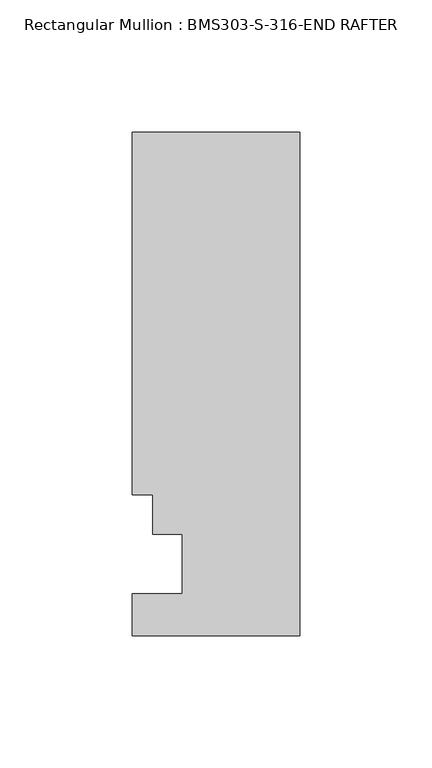
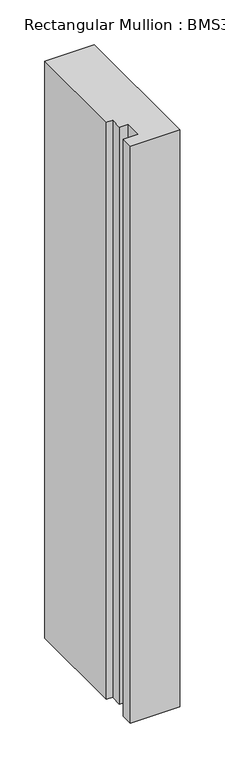
"""IFC4 building model written with IfcOpenShell, lengths in millimetres: member geometry, Rectangular Mullion : BMS303-S-316-END RAFTER."""

from ifc_helpers import new_model, si_unit, frame, origin, place, context, project, spatial, polyline, outline, extrude, source, transform, mapped, element, save


def rectangular_mullion_bms303_s_316_end_rafter_84ccf04d(model_context):
    return source(origin(), model_context, "Body", "SweptSolid", [
        extrude(outline(polyline([(-63.5, 214.6101562), (0.0, 214.6101562), (0.0, 23.8561562), (-63.5, 23.8561562), (-63.5, 39.7311562), (-44.45, 39.7311562), (-44.45, 62.2101563), (-55.5752, 62.2101563), (-55.5752, 77.2723562), (-63.5, 77.2723562), (-63.5, 214.6101562)])), frame((0.0, 0.0, -785.1272189), z_axis=(0.0, 0.0, 1.0), x_axis=(1.0, 0.0, 0.0)), (0.0, 0.0, 1.0), 785.1272189),
    ])


if __name__ == "__main__":
    model = new_model("IFC4")
    model_context = context("Model", 3, world=origin())
    ifc_project = project(units=[si_unit("LENGTHUNIT", "METRE", prefix="MILLI")], contexts=[model_context])
    site = spatial("IfcSite", under=ifc_project)
    building = spatial("IfcBuilding", under=site)
    placement = place(None, origin())
    rectangular_mullion_bms303_s_316_end_rafter_shape = rectangular_mullion_bms303_s_316_end_rafter_84ccf04d(model_context)
    element("IfcMember", 1, ObjectType="Rectangular Mullion : BMS303-S-316-END RAFTER", at=placement, inside=building, context=model_context, shape_type="MappedRepresentation", body=[
        mapped(rectangular_mullion_bms303_s_316_end_rafter_shape, transform((0.0, 0.0, 0.0), x_axis=(1.0, 0.0, 0.0), y_axis=(0.0, 1.0, 0.0), z_axis=(0.0, 0.0, 1.0))),
    ])
    save(model, "model.ifc")
